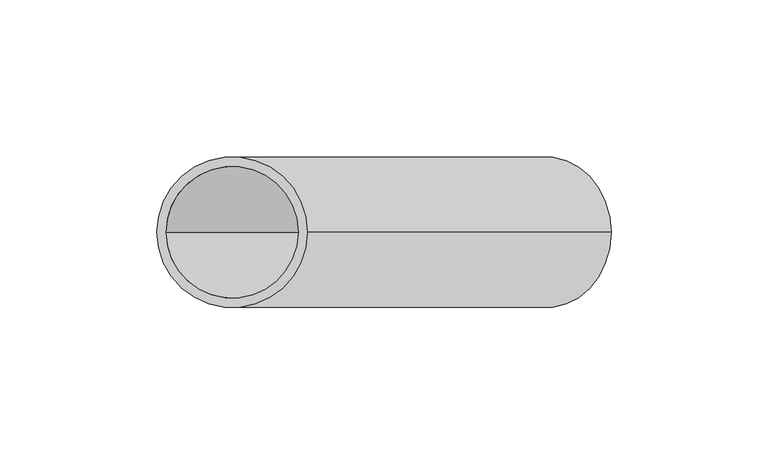
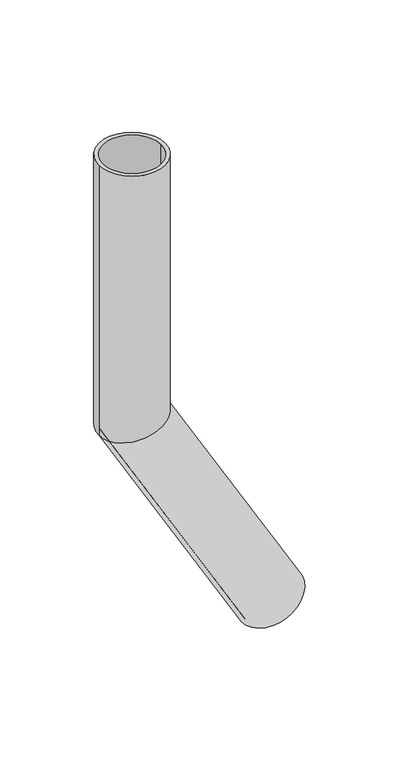
"""IFC4 building model written with IfcOpenShell, lengths in millimetres: beam geometry."""

from ifc_helpers import new_model, si_unit, frame, origin, place, context, project, spatial, polyline, circle_curve, ellipse_curve, source, transform, mapped, element, save
from ifc_brep_helpers import plane_surface, cylinder_surface, revolved_surface, advanced_brep


def beam_9124bb33(model_context):
    return source(origin(), model_context, "Body", "AdvancedBrep", [
        advanced_brep(
        [(120.7846097, 0.0, -361.2050808), (79.2153903, 0.0, -385.2050808), (118.1865335, 0.0, -362.7050808), (81.8134665, 0.0, -383.7050808), (24.0, 0.0, 0.0), (-24.0, 0.0, 0.0), (21.0, 0.0, 0.0), (-21.0, 0.0, 0.0), (21.0, 0.0, -194.373067), (0.0, -21.0, -200.0), (-21.0, 0.0, -205.626933), (0.0, 21.0, -200.0), (24.0, 0.0, -193.5692194), (-24.0, 0.0, -206.4307806)],
        [
            (0, 1, circle_curve(frame((100.0, 0.0, -373.2050808), z_axis=(0.5000000000000633, 0.0, -0.8660254037844022), x_axis=(-0.8660254037844022, 0.0, -0.5000000000000633)), 24.0)),
            (1, 0, circle_curve(frame((100.0, 0.0, -373.2050808), z_axis=(0.5000000000000633, 0.0, -0.8660254037844022), x_axis=(-0.8660254037844022, 0.0, -0.5000000000000633)), 24.0)),
            (2, 3, circle_curve(frame((100.0, 0.0, -373.2050808), z_axis=(-0.5000000000000633, 0.0, 0.8660254037844022), x_axis=(-0.8660254037844022, 0.0, -0.5000000000000633)), 21.0)),
            (3, 2, circle_curve(frame((100.0, 0.0, -373.2050808), z_axis=(-0.5000000000000633, 0.0, 0.8660254037844022), x_axis=(-0.8660254037844022, 0.0, -0.5000000000000633)), 21.0)),
            (4, 5, circle_curve(frame((0.0, 0.0, 0.0), z_axis=(0.0, 0.0, 1.0), x_axis=(-1.0, 0.0, 0.0)), 24.0)),
            (5, 4, circle_curve(frame((0.0, 0.0, 0.0), z_axis=(0.0, 0.0, 1.0), x_axis=(-1.0, 0.0, 0.0)), 24.0)),
            (6, 7, circle_curve(frame((0.0, 0.0, 0.0), z_axis=(0.0, 0.0, -1.0), x_axis=(-1.0, 0.0, 0.0)), 21.0)),
            (7, 6, circle_curve(frame((0.0, 0.0, 0.0), z_axis=(0.0, 0.0, -1.0), x_axis=(-1.0, 0.0, 0.0)), 21.0)),
            (6, 8),
            (8, 9, ellipse_curve(frame((0.0, 0.0, -200.0), z_axis=(0.25881904510255604, 0.0, -0.9659258262890589), x_axis=(0.9659258262890589, 0.0, 0.25881904510255593)), 21.7407998, 21.0)),
            (9, 10, ellipse_curve(frame((0.0, 0.0, -200.0), z_axis=(0.25881904510255604, 0.0, -0.9659258262890589), x_axis=(0.9659258262890589, 0.0, 0.25881904510255593)), 21.7407998, 21.0)),
            (10, 7),
            (10, 11, ellipse_curve(frame((0.0, 0.0, -200.0), z_axis=(0.25881904510255604, 0.0, -0.9659258262890589), x_axis=(0.9659258262890589, 0.0, 0.25881904510255593)), 21.7407998, 21.0)),
            (11, 8, ellipse_curve(frame((0.0, 0.0, -200.0), z_axis=(0.25881904510255604, 0.0, -0.9659258262890589), x_axis=(0.9659258262890589, 0.0, 0.25881904510255593)), 21.7407998, 21.0)),
            (4, 12),
            (12, 13, ellipse_curve(frame((0.0, 0.0, -200.0), z_axis=(-0.25881904510255604, 0.0, 0.9659258262890589), x_axis=(-0.9659258262890589, 0.0, -0.25881904510255593)), 24.8466283, 24.0)),
            (13, 5),
            (13, 12, ellipse_curve(frame((0.0, 0.0, -200.0), z_axis=(-0.25881904510255604, 0.0, 0.9659258262890589), x_axis=(-0.9659258262890589, 0.0, -0.25881904510255593)), 24.8466283, 24.0)),
            (2, 8),
            (10, 3),
            (0, 12),
            (13, 1),
        ],
        [
            plane_surface(frame((100.0, 0.0, -373.2050808), z_axis=(0.5000000000000633, 0.0, -0.8660254037844022), x_axis=(0.0, -1.0, 0.0))),
            plane_surface(frame((0.0, 0.0, 0.0), z_axis=(0.0, 0.0, 1.0), x_axis=(0.0, -1.0, 0.0))),
            revolved_surface(polyline([(-21.0, 0.0, 0.0), (-21.0, 0.0, -205.62693304400185)]), (0.0, 0.0, -200.0), (0.0, 0.0, 1.0)),
            cylinder_surface(frame((0.0, 0.0, -200.0), z_axis=(0.0, 0.0, -1.0), x_axis=(-1.0, 0.0, 0.0)), 24.0),
            revolved_surface(polyline([(-21.00000003645792, 0.0, -205.62693302104893), (81.81346652566002, 0.0, -383.705080808891)]), (100.0, 0.0, -373.2050808), (-0.5000000000000633, 0.0, 0.8660254037844022)),
            cylinder_surface(frame((100.0, 0.0, -373.2050808), z_axis=(0.5000000000000633, 0.0, -0.8660254037844022), x_axis=(-0.8660254037844022, 0.0, -0.5000000000000633)), 24.0),
        ],
        [
            (0, [[1, 2], [3, 4]]),
            (1, [[5, 6], [7, 8]]),
            (2, [[-7, 9, 10, 11, 12]]),
            (2, [[-8, -12, 13, 14, -9]]),
            (3, [[-5, 15, 16, 17]]),
            (3, [[-6, -17, 18, -15]]),
            (4, [[-3, 19, -14, -13, 20]]),
            (4, [[-4, -20, -11, -10, -19]]),
            (5, [[-1, 21, -18, 22]]),
            (5, [[-2, -22, -16, -21]]),
        ],
    ),
    ])


if __name__ == "__main__":
    model = new_model("IFC4")
    model_context = context("Model", 3, world=origin())
    ifc_project = project(units=[si_unit("LENGTHUNIT", "METRE", prefix="MILLI")], contexts=[model_context])
    site = spatial("IfcSite", under=ifc_project)
    building = spatial("IfcBuilding", under=site)
    placement = place(None, origin())
    beam_shape = beam_9124bb33(model_context)
    element("IfcBeam", 1, at=placement, inside=building, context=model_context, shape_type="MappedRepresentation", body=[
        mapped(beam_shape, transform((0.0, 0.0, 0.0), x_axis=(1.0, 0.0, 0.0), y_axis=(0.0, 1.0, 0.0), z_axis=(0.0, 0.0, 1.0))),
    ])
    save(model, "model.ifc")
